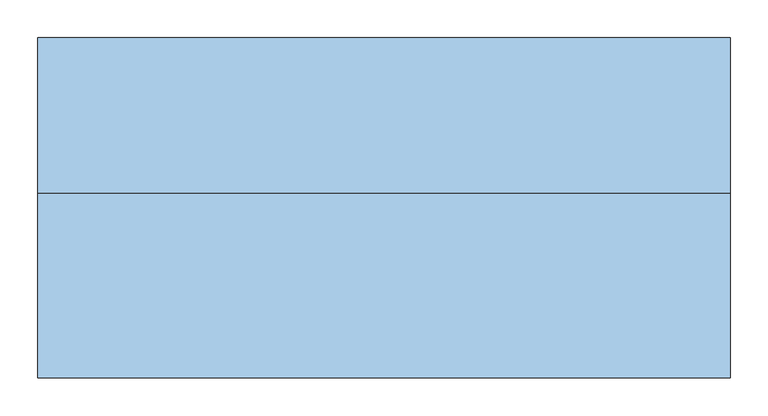
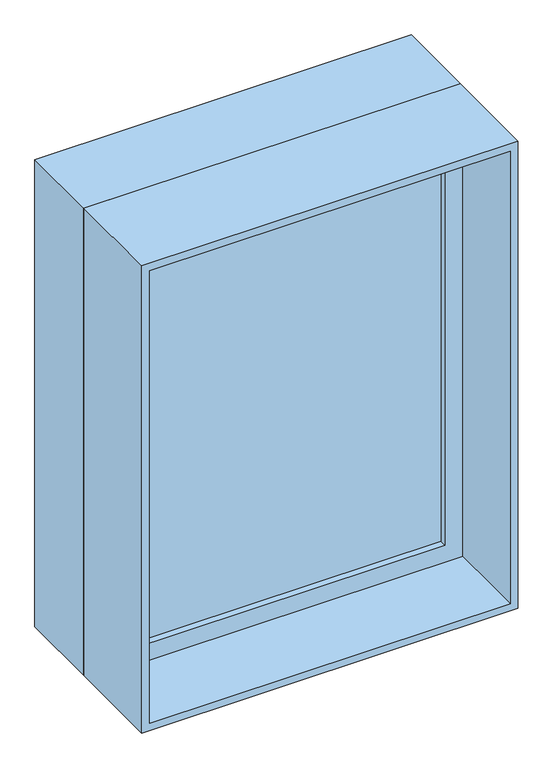
"""IFC4 building model written with IfcOpenShell, lengths in millimetres: window geometry."""

from ifc_helpers import new_model, si_unit, frame, origin, place, context, project, spatial, polyline, outline, extrude, source, transform, mapped, element, save


def window_4c8dbcae(model_context):
    return source(origin(), model_context, "Body", "SweptSolid", [
        extrude(outline(polyline([(-394.5, -22.0), (-394.5, -10.0), (394.5, -10.0), (394.5, -22.0), (-394.5, -22.0)])), frame((0.0, 0.0, 368.0), z_axis=(0.0, 0.0, 1.0), x_axis=(1.0, 0.0, 0.0)), (0.0, 0.0, 1.0), 1074.0),
        extrude(outline(polyline([(1486.0, -438.5), (324.0, -438.5), (324.0, 438.5), (1486.0, 438.5), (1486.0, -438.5)]), holes=[polyline([(1442.0, -394.5), (1442.0, 394.5), (368.0, 394.5), (368.0, -394.5), (1442.0, -394.5)])]), frame((0.0, -38.0, 0.0), z_axis=(0.0, 1.0, 0.0), x_axis=(0.0, 0.0, 1.0)), (0.0, 0.0, 1.0), 44.0),
        extrude(outline(polyline([(1505.0, -457.5), (305.0, -457.5), (305.0, 457.5), (1505.0, 457.5), (1505.0, -457.5)]), holes=[polyline([(1486.0, -438.5), (1486.0, 438.5), (324.0, 438.5), (324.0, -438.5), (1486.0, -438.5)])]), frame((0.0, -238.0, 0.0), z_axis=(0.0, 1.0, 0.0), x_axis=(0.0, 0.0, 1.0)), (0.0, 0.0, 1.0), 244.0),
        extrude(outline(polyline([(1505.0, -457.5), (305.0, -457.5), (305.0, 457.5), (1505.0, 457.5), (1505.0, -457.5)]), holes=[polyline([(1473.0, -425.5), (1473.0, 425.5), (337.0, 425.5), (337.0, -425.5), (1473.0, -425.5)])]), frame((0.0, 6.0, 0.0), z_axis=(0.0, 1.0, 0.0), x_axis=(0.0, 0.0, 1.0)), (0.0, 0.0, 1.0), 206.0),
    ])


if __name__ == "__main__":
    model = new_model("IFC4")
    model_context = context("Model", 3, world=origin())
    ifc_project = project(units=[si_unit("LENGTHUNIT", "METRE", prefix="MILLI")], contexts=[model_context])
    site = spatial("IfcSite", under=ifc_project)
    building = spatial("IfcBuilding", under=site)
    placement = place(None, origin())
    window_shape = window_4c8dbcae(model_context)
    element("IfcWindow", 1, at=placement, inside=building, context=model_context, shape_type="MappedRepresentation", body=[
        mapped(window_shape, transform((0.0, 0.0, 0.0), x_axis=(1.0, 0.0, 0.0), y_axis=(0.0, 1.0, 0.0), z_axis=(0.0, 0.0, 1.0))),
    ])
    save(model, "model.ifc")
